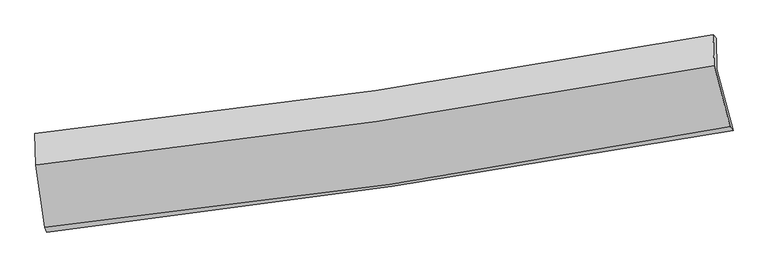
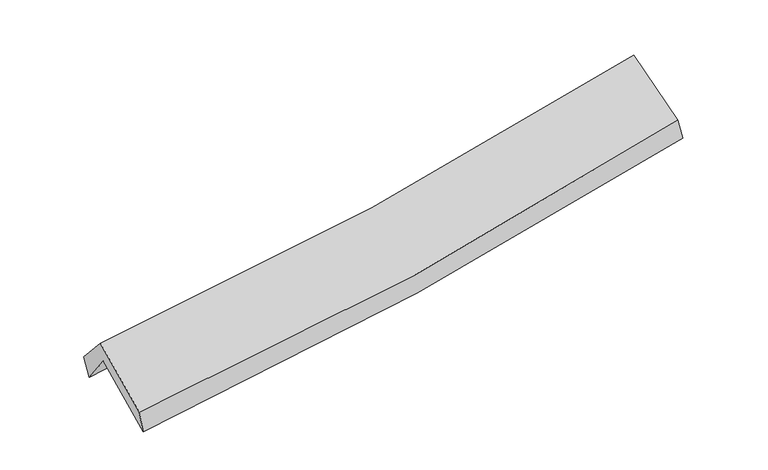
"""IFC4 building model written with IfcOpenShell, lengths in millimetres: proxy geometry."""

from ifc_helpers import new_model, si_unit, frame, origin, place, context, project, spatial, source, transform, mapped, element, save
from ifc_brep_helpers import plane_surface, spline_curve, spline_surface, advanced_brep


def generic_models_d2fb9afd(model_context):
    return source(origin(), model_context, "Body", "AdvancedBrep", [
        advanced_brep(
        [(-2750.3242308, -2494.3576507, 1477.8191948), (-2825.8887323, -1967.1571005, 1897.0201022), (2753.9039985, -1155.3046452, 2383.7093367), (2887.144705, -1658.6770438, 1967.120209), (-2830.2264543, -1742.3485279, 1595.4334054), (2746.8799401, -899.4734892, 2076.4689412), (-2846.4012524, -1681.4623986, 1772.1453046), (2722.3198816, -871.3800435, 2246.137995), (-2838.2047475, -1940.7298209, 2064.9409401), (2731.3262197, -1123.5175571, 2531.1256997), (-2764.2319928, -2456.8250265, 1654.5703923), (2862.0676962, -1624.1686624, 2131.9994863)],
        [
            (0, 1),
            (1, 2, spline_curve(3, [(-2825.8887323, -1967.1571005, 1897.0201022), (-1886.896339513, -1868.417272071, 1946.724383242), (-951.807205853, -1751.279134938, 2012.208490503), (908.103096488, -1480.564511972, 2174.521548013), (1832.944873006, -1327.085164302, 2271.267185735), (2753.9039985, -1155.3046452, 2383.7093367)], [4, 2, 4], [0.0, 9.349867009461587, 18.6750190862807])),
            (2, 3),
            (3, 0, spline_curve(3, [(2887.144705, -1658.6770438, 1967.120209), (1957.648068317, -1826.866654167, 1842.725076548), (1023.738249584, -1980.528598687, 1739.777965889), (-855.394638343, -2259.165909883, 1576.563787663), (-1800.641131509, -2384.064167921, 1516.410560198), (-2750.3242308, -2494.3576507, 1477.8191948)], [4, 2, 4], [0.0, 9.325152076819112, 18.6750190862807])),
            (1, 4),
            (4, 5, spline_curve(3, [(-2830.2264543, -1742.3485279, 1595.4334054), (-1893.229662361, -1624.188820937, 1643.770233886), (-959.361463176, -1494.761532387, 1708.099130223), (899.657483451, -1213.743696622, 1868.528742087), (1824.824749162, -1062.212639058, 1964.545024377), (2746.8799401, -899.4734892, 2076.4689412)], [4, 2, 4], [0.0, 9.300357828764078, 18.576131594775582])),
            (5, 2),
            (4, 6),
            (6, 7, spline_curve(3, [(-2846.4012524, -1681.4623986, 1772.1453046), (-1909.16374036, -1582.428298268, 1814.429084615), (-975.875962939, -1465.291118695, 1875.147003922), (880.343561631, -1195.168088288, 2033.241894409), (1803.296162118, -1042.277815847, 2130.521538488), (2722.3198816, -871.3800435, 2246.137995)], [4, 2, 4], [0.0, 9.29054487138734, 18.556531619062774])),
            (7, 5),
            (6, 8),
            (8, 9, spline_curve(3, [(-2838.2047475, -1940.7298209, 2064.9409401), (-1900.811754142, -1840.480323863, 2105.885829372), (-967.378674089, -1722.140517633, 2165.282804608), (889.110741402, -1449.640917955, 2320.775146194), (1812.187983448, -1295.576636618, 2416.773090625), (2731.3262197, -1123.5175571, 2531.1256997)], [4, 2, 4], [0.0, 9.281311561535736, 18.53808940619132])),
            (9, 7),
            (8, 10),
            (10, 11, spline_curve(3, [(-2764.2319928, -2456.8250265, 1654.5703923), (-1815.23821007, -2359.365309156, 1693.086308573), (-871.269154831, -2241.128129374, 1752.209914597), (1004.137545591, -1963.46630941, 1911.46174821), (1935.601720277, -1804.151367611, 2011.481173838), (2862.0676962, -1624.1686624, 2131.9994863)], [4, 2, 4], [0.0, 9.331380579275642, 18.638095091938283])),
            (11, 9),
            (10, 0),
            (3, 11),
        ],
        [
            spline_surface(3, 3, [[(-2750.3242308, -2494.3576507, 1477.8191948), (-1800.641131519, -2384.064167773, 1516.410560125), (-855.394638354, -2259.16590989, 1576.563787613), (1023.738249595, -1980.528598681, 1739.77796594), (1957.648068392, -1826.866654288, 1842.725076521), (2887.144705, -1658.6770438, 1967.120209)], [(-2775.512397973, -2318.624133971, 1617.55283063), (-1829.392867473, -2212.181869224, 1659.848501204), (-887.532160811, -2089.870318223, 1721.778688546), (985.193198557, -1813.873903166, 1884.692493314), (1916.080336636, -1660.272824288, 1985.572446298), (2842.731136168, -1490.886244264, 2105.983251597)], [(-2800.700565127, -2142.890617229, 1757.28646637), (-1858.144603407, -2040.299570661, 1803.286442192), (-919.669683328, -1920.574726498, 1866.993589499), (946.648147458, -1647.219207593, 2029.607020708), (1874.512604877, -1493.678994296, 2128.419815982), (2798.317567332, -1323.095444736, 2244.846294103)], [(-2825.8887323, -1967.1571005, 1897.0201022), (-1886.896339362, -1868.417272112, 1946.724383271), (-951.807205785, -1751.279134832, 2012.208490432), (908.10309642, -1480.564512078, 2174.521548083), (1832.944873122, -1327.085164296, 2271.267185758), (2753.9039985, -1155.3046452, 2383.7093367)]], [4, 4], [4, 2, 4], [0.0, 2.212030834092599], [0.0, 9.349867009461587, 18.6750190862807]),
            spline_surface(3, 3, [[(-2825.8887323, -1967.1571005, 1897.0201022), (-1886.896339362, -1868.417272112, 1946.724383271), (-951.807205785, -1751.279134832, 2012.208490432), (908.10309642, -1480.564512078, 2174.521548083), (1832.944873122, -1327.085164296, 2271.267185758), (2753.9039985, -1155.3046452, 2383.7093367)], [(-2827.334639629, -1892.220909629, 1796.491203264), (-1889.007447069, -1787.007788412, 1845.739666805), (-954.325291607, -1665.773267344, 1910.838703677), (905.287892107, -1391.624240262, 2072.5239461), (1830.238165096, -1238.794322563, 2169.02646531), (2751.562645688, -1070.027593213, 2281.295871505)], [(-2828.780546971, -1817.284718771, 1695.962304336), (-1891.11855479, -1705.598304725, 1744.754950346), (-956.843377406, -1580.267399861, 1809.468916926), (902.472687817, -1302.683968451, 1970.526344121), (1827.531457107, -1150.503480792, 2066.785744947), (2749.221292912, -984.750541187, 2178.882406395)], [(-2830.2264543, -1742.3485279, 1595.4334054), (-1893.229662497, -1624.188821025, 1643.77023388), (-959.361463229, -1494.761532374, 1708.099130172), (899.657483504, -1213.743696636, 1868.528742137), (1824.824749082, -1062.212639058, 1964.545024499), (2746.8799401, -899.4734892, 2076.4689412)]], [4, 4], [4, 2, 4], [0.0, 1.3188088459997485], [0.0, 9.300357828764078, 18.576131594775582]),
            spline_surface(3, 3, [[(-2830.2264543, -1742.3485279, 1595.4334054), (-1893.229662497, -1624.188821025, 1643.77023388), (-959.361463229, -1494.761532374, 1708.099130172), (899.657483504, -1213.743696636, 1868.528742137), (1824.824749082, -1062.212639058, 1964.545024499), (2746.8799401, -899.4734892, 2076.4689412)], [(-2835.618053688, -1722.053151453, 1654.337371787), (-1898.541021856, -1610.268646778, 1700.656517493), (-964.866296488, -1484.938061189, 1763.781754773), (893.219509523, -1207.551827164, 1923.433126177), (1817.648553408, -1055.56769804, 2019.870529186), (2738.693253932, -890.1090073, 2133.025292489)], [(-2841.009653012, -1701.757775047, 1713.241338213), (-1903.85238115, -1596.34847257, 1757.542801145), (-970.371129679, -1475.114589975, 1819.464379423), (886.781535611, -1201.359957664, 1978.337510267), (1810.472357737, -1048.92275702, 2075.196033804), (2730.506567768, -880.7445254, 2189.581643711)], [(-2846.4012524, -1681.4623986, 1772.1453046), (-1909.163740508, -1582.428298322, 1814.429084758), (-975.875962938, -1465.291118791, 1875.147004024), (880.34356163, -1195.168088193, 2033.241894307), (1803.296162064, -1042.277816001, 2130.521538491), (2722.3198816, -871.3800435, 2246.137995)]], [4, 4], [4, 2, 4], [0.0, 0.5530523015148894], [0.0, 9.29054487138734, 18.556531619062774]),
            spline_surface(3, 3, [[(-2846.4012524, -1681.4623986, 1772.1453046), (-1909.163740508, -1582.428298322, 1814.429084758), (-975.875962938, -1465.291118791, 1875.147004024), (880.34356163, -1195.168088193, 2033.241894307), (1803.296162064, -1042.277816001, 2130.521538491), (2722.3198816, -871.3800435, 2246.137995)], [(-2843.66908407, -1767.884872694, 1869.743849771), (-1906.379745038, -1668.445640172, 1911.581332931), (-973.043533245, -1550.907585018, 1971.858937603), (883.265954871, -1279.992364819, 2129.086311595), (1806.260102546, -1126.710756174, 2225.938722497), (2725.321994319, -955.425881368, 2341.133896544)], [(-2840.93691583, -1854.307346806, 1967.342394929), (-1903.595749659, -1754.46298204, 2008.733581091), (-970.211103643, -1636.524051268, 2068.570871117), (886.188348022, -1364.816641467, 2224.930728818), (1809.224042972, -1211.143696344, 2321.355906573), (2728.324106981, -1039.471719232, 2436.129798156)], [(-2838.2047475, -1940.7298209, 2064.9409401), (-1900.811754189, -1840.48032389, 2105.885829264), (-967.378673951, -1722.140517495, 2165.282804695), (889.110741264, -1449.640918092, 2320.775146107), (1812.187983454, -1295.576636517, 2416.773090579), (2731.3262197, -1123.5175571, 2531.1256997)]], [4, 4], [4, 2, 4], [0.0, 1.2658520149354207], [0.0, 9.281311561535736, 18.53808940619132]),
            spline_surface(3, 3, [[(-2838.2047475, -1940.7298209, 2064.9409401), (-1900.811754189, -1840.48032389, 2105.885829264), (-967.378673951, -1722.140517495, 2165.282804695), (889.110741264, -1449.640918092, 2320.775146107), (1812.187983454, -1295.576636517, 2416.773090579), (2731.3262197, -1123.5175571, 2531.1256997)], [(-2813.547162615, -2112.761556124, 1928.150757507), (-1872.287239491, -2013.44198566, 1968.285989031), (-935.342167603, -1895.136388151, 2027.591841295), (927.453009398, -1620.916048467, 2184.33734685), (1853.325895694, -1465.101546849, 2281.675784984), (2774.906711851, -1290.401258854, 2398.083628589)], [(-2788.889577685, -2284.793291276, 1791.360574893), (-1843.762724748, -2186.403647359, 1830.686148778), (-903.305661255, -2068.132258859, 1889.900877882), (965.795277533, -1792.191178894, 2047.899547581), (1894.463807981, -1634.626457219, 2146.578479323), (2818.487204049, -1457.284960646, 2265.041557411)], [(-2764.2319928, -2456.8250265, 1654.5703923), (-1815.23821005, -2359.365309129, 1693.086308545), (-871.269154908, -2241.128129515, 1752.209914482), (1004.137545667, -1963.466309269, 1911.461748324), (1935.601720222, -1804.151367551, 2011.481173728), (2862.0676962, -1624.1686624, 2131.9994863)]], [4, 4], [4, 2, 4], [0.0, 2.193275089472213], [0.0, 9.331380579275642, 18.638095091938283]),
            spline_surface(3, 3, [[(-2764.2319928, -2456.8250265, 1654.5703923), (-1815.23821005, -2359.365309129, 1693.086308545), (-871.269154908, -2241.128129515, 1752.209914482), (1004.137545667, -1963.466309269, 1911.461748324), (1935.601720222, -1804.151367551, 2011.481173728), (2862.0676962, -1624.1686624, 2131.9994863)], [(-2759.596072125, -2469.335901229, 1595.65332644), (-1810.372517198, -2367.598262005, 1634.194392379), (-865.977649409, -2247.14072297, 1693.661205524), (1010.671113624, -1969.15373907, 1854.233820861), (1942.950502954, -1811.723129798, 1955.229141302), (2870.426699143, -1635.671456201, 2077.039727176)], [(-2754.960151475, -2481.846775971, 1536.73626066), (-1805.506824371, -2375.831214896, 1575.302476292), (-860.686143853, -2253.153316435, 1635.112496571), (1017.204681639, -1974.84116888, 1797.005893403), (1950.299285659, -1819.294892041, 1898.977108948), (2878.785702057, -1647.174249999, 2022.079968124)], [(-2750.3242308, -2494.3576507, 1477.8191948), (-1800.641131519, -2384.064167773, 1516.410560125), (-855.394638354, -2259.16590989, 1576.563787613), (1023.738249595, -1980.528598681, 1739.77796594), (1957.648068392, -1826.866654288, 1842.725076521), (2887.144705, -1658.6770438, 1967.120209)]], [4, 4], [4, 2, 4], [0.0, 0.5756339414753734], [0.0, 9.390158631854137, 18.75549582637087]),
            plane_surface(frame((2783.9404068, -1222.0869069, 2222.760278), z_axis=(0.9797000021795862, 0.16449944765822347, 0.11457677534936263), x_axis=(0.2000671347057053, -0.766121316924361, -0.6107628585340893))),
            plane_surface(frame((-2809.2129017, -2047.1467542, 1743.6548899), z_axis=(-0.9936546935192663, -0.09655586738729074, -0.057682878917586305), x_axis=(-0.0767423539368979, 0.20710319347983439, 0.9753045054559515))),
        ],
        [
            (0, [[1, 2, 3, 4]]),
            (1, [[5, 6, 7, -2]]),
            (2, [[8, 9, 10, -6]]),
            (3, [[11, 12, 13, -9]]),
            (4, [[14, 15, 16, -12]]),
            (5, [[17, -4, 18, -15]]),
            (6, [[-16, -18, -3, -7, -10, -13]]),
            (7, [[-17, -14, -11, -8, -5, -1]]),
        ],
    ),
    ])


if __name__ == "__main__":
    model = new_model("IFC4")
    model_context = context("Model", 3, world=origin())
    ifc_project = project(units=[si_unit("LENGTHUNIT", "METRE", prefix="MILLI")], contexts=[model_context])
    site = spatial("IfcSite", under=ifc_project)
    building = spatial("IfcBuilding", under=site)
    placement = place(None, origin())
    generic_models_shape = generic_models_d2fb9afd(model_context)
    element("IfcBuildingElementProxy", 1, Name="Generic Models", at=placement, inside=building, context=model_context, shape_type="MappedRepresentation", body=[
        mapped(generic_models_shape, transform((0.0, 0.0, 0.0), x_axis=(1.0, 0.0, 0.0), y_axis=(0.0, 1.0, 0.0), z_axis=(0.0, 0.0, 1.0))),
    ])
    save(model, "model.ifc")
